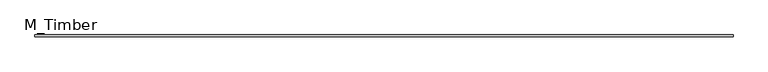
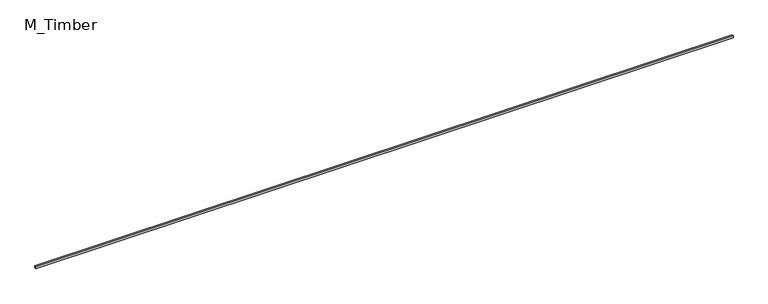
"""IFC4 building model written with IfcOpenShell, lengths in millimetres: beam geometry, M_Timber."""

from ifc_helpers import new_model, si_unit, frame, origin, place, context, project, spatial, polyline, outline, extrude, source, transform, mapped, element, save


def m_timber_18c90874(model_context):
    return source(origin(), model_context, "Body", "SweptSolid", [
        extrude(outline(polyline([(7388.1590487, 20.0), (7388.1590487, -20.0), (-7388.1590487, -20.0), (-7388.1590487, 20.0), (7388.1590487, 20.0)])), frame((0.0, 0.0, -20.0), z_axis=(0.0, 0.0, 1.0), x_axis=(1.0, 0.0, 0.0)), (0.0, 0.0, 1.0), 40.0),
    ])


if __name__ == "__main__":
    model = new_model("IFC4")
    model_context = context("Model", 3, world=origin())
    ifc_project = project(units=[si_unit("LENGTHUNIT", "METRE", prefix="MILLI")], contexts=[model_context])
    site = spatial("IfcSite", under=ifc_project)
    building = spatial("IfcBuilding", under=site)
    placement = place(None, origin())
    m_timber_shape = m_timber_18c90874(model_context)
    element("IfcBeam", 1, ObjectType="M_Timber", at=placement, inside=building, context=model_context, shape_type="MappedRepresentation", body=[
        mapped(m_timber_shape, transform((0.0, 0.0, 0.0), x_axis=(1.0, 0.0, 0.0), y_axis=(0.0, 1.0, 0.0), z_axis=(0.0, 0.0, 1.0))),
    ])
    save(model, "model.ifc")
